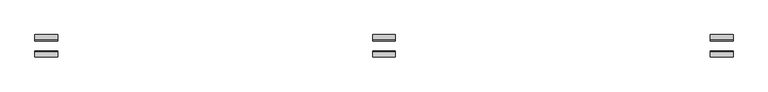
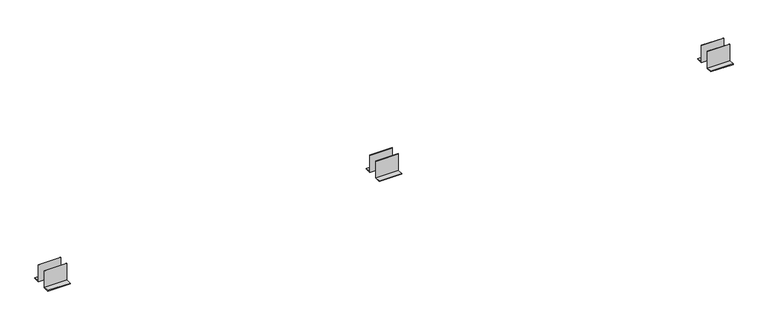
"""IFC4 building model written with IfcOpenShell, lengths in millimetres: proxy geometry."""

from ifc_helpers import new_model, si_unit, frame, origin, place, context, project, spatial, polyline, outline, extrude, source, transform, mapped, element, save


def generic_models_86d8fa13(model_context):
    return source(origin(), model_context, "Body", "SweptSolid", [
        extrude(outline(polyline([(33.0, 0.0), (33.0, 120.0), (37.0, 120.0), (37.0, 4.0), (73.0, 4.0), (73.0, 0.0), (33.0, 0.0)])), frame((2273.5846286, 0.0, 0.0), z_axis=(1.0, 0.0, 0.0), x_axis=(0.0, 1.0, 0.0)), (0.0, 0.0, 1.0), 150.0),
        extrude(outline(polyline([(-33.0, 120.0), (-33.0, 0.0), (-73.0, 0.0), (-73.0, 4.0), (-37.0, 4.0), (-37.0, 120.0), (-33.0, 120.0)])), frame((2273.5846286, 0.0, 0.0), z_axis=(1.0, 0.0, 0.0), x_axis=(0.0, 1.0, 0.0)), (0.0, 0.0, 1.0), 150.0),
        extrude(outline(polyline([(33.0, 0.0), (33.0, 120.0), (37.0, 120.0), (37.0, 4.0), (73.0, 4.0), (73.0, 0.0), (33.0, 0.0)])), frame((4482.1692572, 0.0, 0.0), z_axis=(1.0, 0.0, 0.0), x_axis=(0.0, 1.0, 0.0)), (0.0, 0.0, 1.0), 150.0),
        extrude(outline(polyline([(-33.0, 120.0), (-33.0, 0.0), (-73.0, 0.0), (-73.0, 4.0), (-37.0, 4.0), (-37.0, 120.0), (-33.0, 120.0)])), frame((4482.1692572, 0.0, 0.0), z_axis=(1.0, 0.0, 0.0), x_axis=(0.0, 1.0, 0.0)), (0.0, 0.0, 1.0), 150.0),
        extrude(outline(polyline([(33.0, 0.0), (33.0, 120.0), (37.0, 120.0), (37.0, 4.0), (73.0, 4.0), (73.0, 0.0), (33.0, 0.0)])), frame((65.0, 0.0, 0.0), z_axis=(1.0, 0.0, 0.0), x_axis=(0.0, 1.0, 0.0)), (0.0, 0.0, 1.0), 150.0),
        extrude(outline(polyline([(-33.0, 120.0), (-33.0, 0.0), (-73.0, 0.0), (-73.0, 4.0), (-37.0, 4.0), (-37.0, 120.0), (-33.0, 120.0)])), frame((65.0, 0.0, 0.0), z_axis=(1.0, 0.0, 0.0), x_axis=(0.0, 1.0, 0.0)), (0.0, 0.0, 1.0), 150.0),
    ])


if __name__ == "__main__":
    model = new_model("IFC4")
    model_context = context("Model", 3, world=origin())
    ifc_project = project(units=[si_unit("LENGTHUNIT", "METRE", prefix="MILLI")], contexts=[model_context])
    site = spatial("IfcSite", under=ifc_project)
    building = spatial("IfcBuilding", under=site)
    placement = place(None, origin())
    generic_models_shape = generic_models_86d8fa13(model_context)
    element("IfcBuildingElementProxy", 1, Name="Generic Models", at=placement, inside=building, context=model_context, shape_type="MappedRepresentation", body=[
        mapped(generic_models_shape, transform((0.0, 0.0, 0.0), x_axis=(1.0, 0.0, 0.0), y_axis=(0.0, 1.0, 0.0), z_axis=(0.0, 0.0, 1.0))),
    ])
    save(model, "model.ifc")
